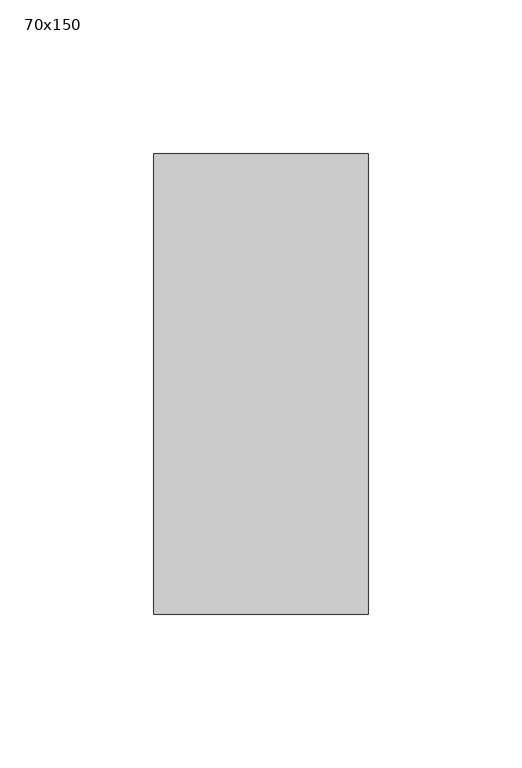
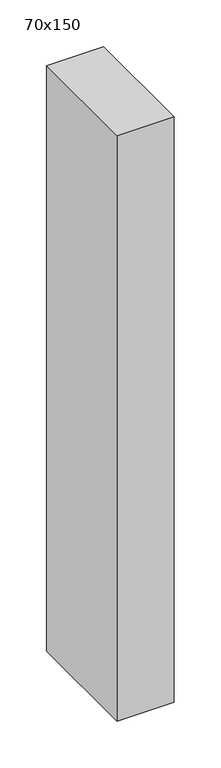
"""IFC4 building model written with IfcOpenShell, lengths in millimetres: member geometry, 70x150."""

from ifc_helpers import new_model, si_unit, frame, origin, place, context, project, spatial, polyline, outline, extrude, source, transform, mapped, element, save


def member_70x150_584bcca4(model_context):
    return source(origin(), model_context, "Body", "SweptSolid", [
        extrude(outline(polyline([(0.0, 75.0), (0.0, -75.0), (-70.0, -75.0), (-70.0, 75.0), (0.0, 75.0)])), frame((0.0, 0.0, -761.6666667), z_axis=(0.0, 0.0, 1.0), x_axis=(1.0, 0.0, 0.0)), (0.0, 0.0, 1.0), 761.6666667),
    ])


if __name__ == "__main__":
    model = new_model("IFC4")
    model_context = context("Model", 3, world=origin())
    ifc_project = project(units=[si_unit("LENGTHUNIT", "METRE", prefix="MILLI")], contexts=[model_context])
    site = spatial("IfcSite", under=ifc_project)
    building = spatial("IfcBuilding", under=site)
    placement = place(None, origin())
    member_70x150_shape = member_70x150_584bcca4(model_context)
    element("IfcMember", 1, ObjectType="70x150", at=placement, inside=building, context=model_context, shape_type="MappedRepresentation", body=[
        mapped(member_70x150_shape, transform((0.0, 0.0, 0.0), x_axis=(1.0, 0.0, 0.0), y_axis=(0.0, 1.0, 0.0), z_axis=(0.0, 0.0, 1.0))),
    ])
    save(model, "model.ifc")
